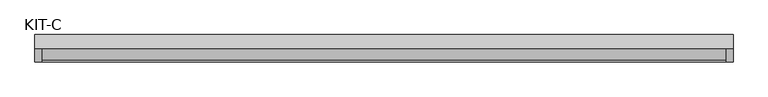
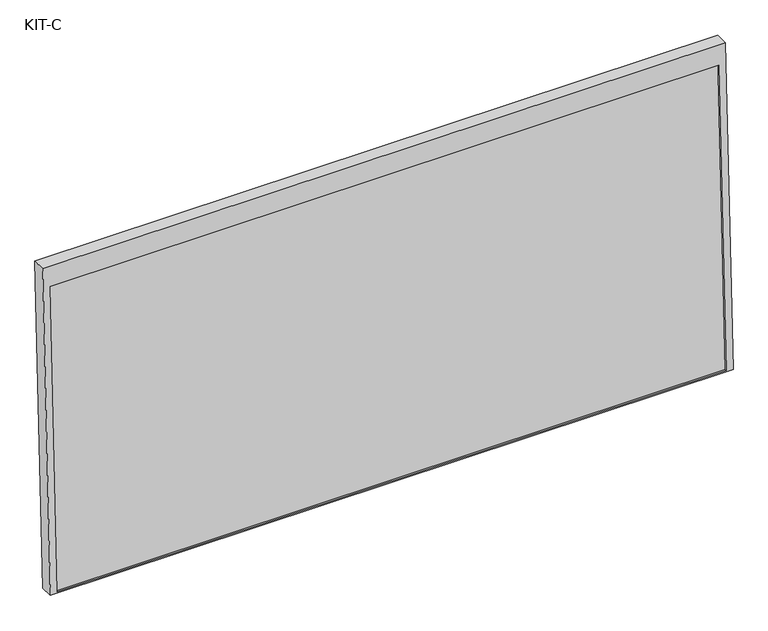
"""IFC4 building model written with IfcOpenShell, lengths in millimetres: plate geometry, KIT-C."""

from ifc_helpers import new_model, si_unit, frame, origin, place, context, project, spatial, polyline, outline, extrude, source, transform, mapped, element, save


def kit_c_093fee89(model_context):
    return source(origin(), model_context, "Body", "SweptSolid", [
        extrude(outline(polyline([(0.0, -1754.0), (0.0, 0.0), (27.4505712, 0.0), (27.4505712, -1754.0), (0.0, -1754.0)])), frame((-877.0, -68.9130408, -49.1358985), z_axis=(0.0, 0.03973683410233642, 0.9992101801000245), x_axis=(0.0, 0.9992101801000245, -0.03973683410233642)), (0.0, 0.0, 1.0), 828.6315929),
        extrude(outline(polyline([(0.0, 0.0), (0.0, -1791.0), (-887.1, -1791.0), (-887.1, 0.0), (0.0, 0.0)]), holes=[polyline([(-55.0000001, -18.5), (-883.6315929, -18.5), (-883.6315929, -1772.5), (-55.0000001, -1772.5), (-55.0000001, -18.5)])]), frame((-895.5, -3.8240134, 832.6056796), z_axis=(0.0, -0.9992101801000246, 0.039736834102334216), x_axis=(0.0, 0.039736834102334216, 0.9992101801000246)), (0.0, 0.0, 1.0), 35.0),
    ])


if __name__ == "__main__":
    model = new_model("IFC4")
    model_context = context("Model", 3, world=origin())
    ifc_project = project(units=[si_unit("LENGTHUNIT", "METRE", prefix="MILLI")], contexts=[model_context])
    site = spatial("IfcSite", under=ifc_project)
    building = spatial("IfcBuilding", under=site)
    placement = place(None, origin())
    kit_c_shape = kit_c_093fee89(model_context)
    element("IfcPlate", 1, ObjectType="KIT-C", at=placement, inside=building, context=model_context, shape_type="MappedRepresentation", body=[
        mapped(kit_c_shape, transform((0.0, 0.0, 0.0), x_axis=(1.0, 0.0, 0.0), y_axis=(0.0, 1.0, 0.0), z_axis=(0.0, 0.0, 1.0))),
    ])
    save(model, "model.ifc")
